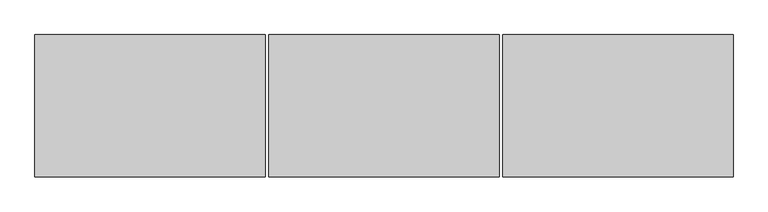
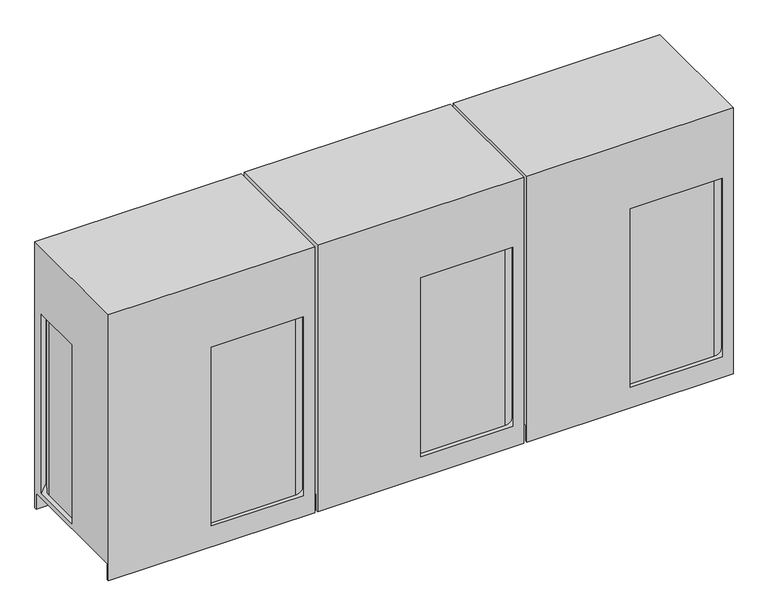
"""IFC4 building model written with IfcOpenShell, lengths in millimetres: proxy geometry."""

import ifcopenshell
import ifcopenshell.guid

model = None  # the IFC model being written
_history = None  # IfcOwnerHistory: only IFC2X3 demands one
_inside = {}  # id of a spatial element -> (the spatial element, [elements in it])
_under = {}  # id of a project, library or spatial element -> (it, [spatial elements below it])
_declared = {}  # id of a project -> (the project, [libraries it declares])
_typed = {}  # id of a type object -> (the type object, [elements of that type])
_made_of = {}  # id of a material, layer set ... -> (it, [elements and type objects made of it])


def new_model(schema):
    """Start an empty IFC model of exactly this schema.

    Asked for "IFC4X3", IfcOpenShell would pick the latest addendum, in which some entities
    have other attributes; the version numbers below select the first issue.
    IFC2X3 requires an IfcOwnerHistory on every rooted entity: one is made here for all.
    """
    global model, _history
    if schema == "IFC4X3":
        model = ifcopenshell.file(schema_version=(4, 3, 0, 0))
    else:
        model = ifcopenshell.file(schema=schema)
    _inside.clear()
    _under.clear()
    _declared.clear()
    _typed.clear()
    _made_of.clear()
    _history = None
    if model.schema == "IFC2X3":
        org = make("IfcOrganization", Name="unknown")
        user = make(
            "IfcPersonAndOrganization",
            ThePerson=make("IfcPerson", FamilyName="unknown"),
            TheOrganization=org,
        )
        app = make(
            "IfcApplication",
            ApplicationDeveloper=org,
            Version="unknown",
            ApplicationFullName="unknown",
            ApplicationIdentifier="unknown",
        )
        _history = make(
            "IfcOwnerHistory",
            OwningUser=user,
            OwningApplication=app,
            ChangeAction="ADDED",
            CreationDate=0,
        )
    return model


def make(cls, **values):
    """One entity of the class cls with the attributes given. An attribute that is None is left unset."""
    return model.create_entity(
        cls, **{name: value for name, value in values.items() if value is not None}
    )


def rooted(cls, **values):
    """An entity with a GlobalId (a new one), such as an element, a storey or a relation."""
    return make(cls, GlobalId=ifcopenshell.guid.new(), OwnerHistory=_history, **values)


def si_unit(unit_type, name, prefix=None):
    """IfcSIUnit, for example si_unit("LENGTHUNIT", "METRE", prefix="MILLI")."""
    return make("IfcSIUnit", UnitType=unit_type, Prefix=prefix, Name=name)


def assignment(units):
    """IfcUnitAssignment: the units of a project."""
    return None if units is None else make("IfcUnitAssignment", Units=units)


def point(xyz):
    """IfcCartesianPoint."""
    return None if xyz is None else make("IfcCartesianPoint", Coordinates=xyz)


def direction(xyz):
    """IfcDirection."""
    return None if xyz is None else make("IfcDirection", DirectionRatios=xyz)


def frame(location, z_axis=None, x_axis=None):
    """IfcAxis2Placement3D, a coordinate frame: its origin and axes. An axis left out is left unset."""
    return make(
        "IfcAxis2Placement3D",
        Location=point(location),
        Axis=direction(z_axis),
        RefDirection=direction(x_axis),
    )


def frame_2d(location, x_axis=None):
    """IfcAxis2Placement2D, a coordinate frame in the plane: its origin and x axis."""
    return make(
        "IfcAxis2Placement2D", Location=point(location), RefDirection=direction(x_axis)
    )


def origin():
    """The frame at (0, 0, 0) with its axes left unset."""
    return frame((0.0, 0.0, 0.0))


def place(relative_to, where):
    """IfcLocalPlacement: puts the frame where relative to a parent placement (None: the world)."""
    return make(
        "IfcLocalPlacement", PlacementRelTo=relative_to, RelativePlacement=where
    )


def context(
    kind, dimensions, precision=None, world=None, true_north=None, identifier=None
):
    """IfcGeometricRepresentationContext, for example the 3D "Model" context."""
    return make(
        "IfcGeometricRepresentationContext",
        ContextIdentifier=identifier,
        ContextType=kind,
        CoordinateSpaceDimension=dimensions,
        Precision=precision,
        WorldCoordinateSystem=world,
        TrueNorth=true_north,
    )


def project(units=None, contexts=None):
    """IfcProject with its units and contexts."""
    return rooted(
        "IfcProject",
        Name="project",
        RepresentationContexts=contexts,
        UnitsInContext=assignment(units),
    )


def spatial(cls, under=None, at=None, **own):
    """A site, building, storey or space (cls), placed at a placement, below another one or the project."""
    s = rooted(cls, ObjectPlacement=at, **own)
    if under is not None:
        _under.setdefault(under.id(), (under, []))[1].append(s)
    return s


def circle_curve(where, radius):
    """IfcCircle in the frame where."""
    return make("IfcCircle", Position=where, Radius=radius)


def trimmed(basis, trim1, trim2, sense, master):
    """IfcTrimmedCurve: the piece of a basis curve between two trims."""
    return make(
        "IfcTrimmedCurve",
        BasisCurve=basis,
        Trim1=trim1,
        Trim2=trim2,
        SenseAgreement=sense,
        MasterRepresentation=master,
    )


def segment(curve, same_sense, transition):
    """IfcCompositeCurveSegment."""
    return make(
        "IfcCompositeCurveSegment",
        Transition=transition,
        SameSense=same_sense,
        ParentCurve=curve,
    )


def composite_curve(segments, self_intersect=None):
    """IfcCompositeCurve: segments joined end to end."""
    return make("IfcCompositeCurve", Segments=segments, SelfIntersect=self_intersect)


def outline(outer, holes=None, kind="AREA"):
    """IfcArbitraryClosedProfileDef: a profile drawn as a closed curve; with holes, ...WithVoids."""
    if holes is None:
        return make("IfcArbitraryClosedProfileDef", ProfileType=kind, OuterCurve=outer)
    return make(
        "IfcArbitraryProfileDefWithVoids",
        ProfileType=kind,
        OuterCurve=outer,
        InnerCurves=holes,
    )


def extrude(swept, where, along, depth):
    """IfcExtrudedAreaSolid: the profile swept, set in the frame where, extruded along a direction by depth."""
    return make(
        "IfcExtrudedAreaSolid",
        SweptArea=swept,
        Position=where,
        ExtrudedDirection=direction(along),
        Depth=depth,
    )


def shape(context_of_items, identifier, shape_type, items):
    """IfcShapeRepresentation: the items that make up one representation, for example the "Body"."""
    return make(
        "IfcShapeRepresentation",
        ContextOfItems=context_of_items,
        RepresentationIdentifier=identifier,
        RepresentationType=shape_type,
        Items=items,
    )


def source(mapping_origin, context_of_items, identifier, shape_type, items):
    """IfcRepresentationMap: a shape defined once, which mapped items show again and again."""
    return make(
        "IfcRepresentationMap",
        MappingOrigin=mapping_origin,
        MappedRepresentation=shape(context_of_items, identifier, shape_type, items),
    )


def transform(
    local_origin,
    x_axis=None,
    y_axis=None,
    z_axis=None,
    scale=None,
    scale2=None,
    scale3=None,
    uniform=True,
):
    """IfcCartesianTransformationOperator3D, or its non-uniform kind. x_axis, y_axis, z_axis: its Axis1, 2, 3."""
    if uniform:
        return make(
            "IfcCartesianTransformationOperator3D",
            Axis1=direction(x_axis),
            Axis2=direction(y_axis),
            LocalOrigin=point(local_origin),
            Scale=scale,
            Axis3=direction(z_axis),
        )
    return make(
        "IfcCartesianTransformationOperator3DnonUniform",
        Axis1=direction(x_axis),
        Axis2=direction(y_axis),
        LocalOrigin=point(local_origin),
        Scale=scale,
        Axis3=direction(z_axis),
        Scale2=scale2,
        Scale3=scale3,
    )


def mapped(mapping_source, mapping_target):
    """IfcMappedItem: shows the shape of a source again, moved by a transform."""
    return make(
        "IfcMappedItem", MappingSource=mapping_source, MappingTarget=mapping_target
    )


def made_of(thing, what):
    """Note that an element or type object is made of a material, layer set ...; save() writes the relation."""
    if what is not None:
        _made_of.setdefault(what.id(), (what, []))[1].append(thing)
    return thing


def element(
    cls,
    number,
    at=None,
    inside=None,
    cuts=None,
    type_object=None,
    material=None,
    context=None,
    identifier="Body",
    shape_type=None,
    held_by="IfcProductDefinitionShape",
    body=None,
    shapes=None,
    **own,
):
    """One element of the class cls, such as IfcWall. Its Tag is "e" and its number.

    at: its placement. inside: the storey or other place that contains it. cuts: it is an
    opening in that element (IfcRelVoidsElement). A single representation is given by context,
    identifier, shape_type and body (its items); several are given by shapes. held_by: the class
    of the entity that holds the representations. save() writes the other relations.
    """
    e = rooted(cls, Tag="e%d" % number, ObjectPlacement=at, **own)
    if body is not None:
        shapes = [shape(context, identifier, shape_type, body)]
    if shapes is not None:
        e.Representation = make(held_by, Representations=shapes)
    if inside is not None:
        _inside.setdefault(inside.id(), (inside, []))[1].append(e)
    if cuts is not None:
        rooted(
            "IfcRelVoidsElement", RelatingBuildingElement=cuts, RelatedOpeningElement=e
        )
    if type_object is not None:
        _typed.setdefault(type_object.id(), (type_object, []))[1].append(e)
    return made_of(e, material)


def aggregate(whole, parts):
    """IfcRelAggregates: a whole, such as a stair, and the parts it consists of."""
    return rooted("IfcRelAggregates", RelatingObject=whole, RelatedObjects=parts)


def save(model, path):
    """Write the relations noted so far, then the file.

    IfcRelAggregates (storeys below a building ...), IfcRelContainedInSpatialStructure (elements
    in a storey), IfcRelDefinesByType, IfcRelAssociatesMaterial and IfcRelDeclares: one each for
    every whole, place, type object, material and project.
    """
    for whole, parts in _under.values():
        aggregate(whole, parts)
    for where, things in _inside.values():
        rooted(
            "IfcRelContainedInSpatialStructure",
            RelatedElements=things,
            RelatingStructure=where,
        )
    for kind, things in _typed.values():
        rooted("IfcRelDefinesByType", RelatedObjects=things, RelatingType=kind)
    for what, things in _made_of.values():
        rooted("IfcRelAssociatesMaterial", RelatedObjects=things, RelatingMaterial=what)
    for by, libraries in _declared.values():
        rooted("IfcRelDeclares", RelatingContext=by, RelatedDefinitions=libraries)
    model.write(path)


def plane_surface(at):
    """IfcPlane: the flat surface through the origin of the frame at, square to its z axis."""
    return make("IfcPlane", Position=at)


def cylinder_surface(at, radius):
    """IfcCylindricalSurface: all points at the distance radius from the z axis of the frame at."""
    return make("IfcCylindricalSurface", Position=at, Radius=radius)


def advanced_brep(points, edges, surfaces, faces):
    """IfcAdvancedBrep: a solid bounded by faces that lie on surfaces and meet in shared edges.

    An edge is (start, end): straight between two places in points (the first is 0);
    or (start, end, curve); or (start, end, curve, False) where it runs against its curve.
    A face is (place in surfaces, loops), or (place, loops, False) where it looks against
    its surface's normal. A loop lists edges by number (the first is 1), with a minus sign
    where the edge is run from its end to its start. The first loop is the outer one.
    """
    corners = [point(p) for p in points]
    vertices = [make("IfcVertexPoint", VertexGeometry=c) for c in corners]
    made = []
    for start, end, *more in edges:
        made.append(
            make(
                "IfcEdgeCurve",
                EdgeStart=vertices[start],
                EdgeEnd=vertices[end],
                EdgeGeometry=more[0] if more else make("IfcPolyline", Points=[corners[start], corners[end]]),
                SameSense=more[1] if len(more) > 1 else True,
            )
        )
    hull = []
    for where, loops, *sense in faces:
        bounds = []
        for j, loop in enumerate(loops):
            ring = [make("IfcOrientedEdge", EdgeElement=made[abs(k) - 1], Orientation=k > 0) for k in loop]
            bounds.append(
                make(
                    "IfcFaceOuterBound" if j == 0 else "IfcFaceBound",
                    Bound=make("IfcEdgeLoop", EdgeList=ring),
                    Orientation=True,
                )
            )
        hull.append(make("IfcAdvancedFace", Bounds=bounds, FaceSurface=surfaces[where], SameSense=sense[0] if sense else True))
    return make("IfcAdvancedBrep", Outer=make("IfcClosedShell", CfsFaces=hull))


def mechanical_equipment_0305d226(model_context):
    return source(origin(), model_context, "Body", "SolidModel", [
        extrude(outline(composite_curve([segment(trimmed(circle_curve(frame_2d((885.825, -277.01875)), 17.4625), [point((903.2875, -277.01875))], [point((868.3625, -277.01875))], False, "CARTESIAN"), True, "CONTINUOUS"), segment(trimmed(circle_curve(frame_2d((885.825, -277.01875)), 17.4625), [point((868.3625, -277.01875))], [point((903.2875, -277.01875))], False, "CARTESIAN"), True, "CONTINUOUS")], self_intersect=False)), frame((0.0, 0.0, 203.2), z_axis=(0.0, 0.0, 1.0), x_axis=(1.0, 0.0, 0.0)), (0.0, 0.0, 1.0), 6.35),
        extrude(outline(composite_curve([segment(trimmed(circle_curve(frame_2d((800.1, -281.78125)), 20.6375), [point((779.4625, -281.78125))], [point((820.7375, -281.78125))], False, "CARTESIAN"), True, "CONTINUOUS"), segment(trimmed(circle_curve(frame_2d((800.1, -281.78125)), 20.6375), [point((820.7375, -281.78125))], [point((779.4625, -281.78125))], False, "CARTESIAN"), True, "CONTINUOUS")], self_intersect=False)), frame((0.0, 0.0, 198.4375), z_axis=(0.0, 0.0, 1.0), x_axis=(1.0, 0.0, 0.0)), (0.0, 0.0, 1.0), 6.35),
        extrude(outline(composite_curve([segment(trimmed(circle_curve(frame_2d((741.3625, -311.94375)), 9.525), [point((731.8375, -311.94375))], [point((750.8875, -311.94375))], False, "CARTESIAN"), True, "CONTINUOUS"), segment(trimmed(circle_curve(frame_2d((741.3625, -311.94375)), 9.525), [point((750.8875, -311.94375))], [point((731.8375, -311.94375))], False, "CARTESIAN"), True, "CONTINUOUS")], self_intersect=False)), frame((0.0, 0.0, 307.975), z_axis=(0.0, 0.0, 1.0), x_axis=(1.0, 0.0, 0.0)), (0.0, 0.0, 1.0), 6.35),
        advanced_brep(
        [(1881.1875, -383.38125, 0.0), (639.7625, -383.38125, 0.0), (639.7625, -370.68125, 0.0), (1881.1875, -370.68125, 0.0), (639.7625, 383.38125, 0.0), (1881.1875, 383.38125, 0.0), (1881.1875, 370.68125, 0.0), (639.7625, 370.68125, 0.0), (1881.1875, 383.38125, 1693.8625), (639.7625, 383.38125, 1693.8625), (639.7625, -383.38125, 1693.8625), (1881.1875, -383.38125, 1693.8625), (1881.1875, -370.68125, 101.6), (1881.1875, 370.68125, 101.6), (1881.1875, 316.70625, 131.7752), (1881.1875, -316.70625, 131.7752), (1881.1875, -316.70625, 1270.396875), (1881.1875, 316.70625, 1270.396875), (1814.5125, -383.38125, 131.7752), (1260.4623, -383.38125, 131.7752), (1260.4623, -383.38125, 1270.396875), (1814.5125, -383.38125, 1270.396875), (639.7625, 370.68125, 101.6), (639.7625, -370.68125, 101.6), (639.7625, 0.0, 131.7752), (639.7625, 316.70625, 131.7752), (639.7625, 316.70625, 1270.396875), (639.7625, 0.0, 1270.396875), (706.4375, 383.38125, 131.7752), (1814.5125, 383.38125, 131.7752), (1814.5125, 383.38125, 1270.396875), (706.4375, 383.38125, 1270.396875), (665.1625, 0.0, 131.7752), (665.1625, 281.78125, 131.7752), (741.3625, 357.98125, 131.7752), (1779.5875, 357.98125, 131.7752), (1855.7875, 281.78125, 131.7752), (1855.7875, -281.78125, 131.7752), (1779.5875, -357.98125, 131.7752), (1260.4623, -357.98125, 131.7752), (1260.4623, -357.98125, 1270.396875), (1779.5875, -357.98125, 1270.396875), (1855.7875, -281.78125, 1270.396875), (1855.7875, 281.78125, 1270.396875), (1779.5875, 357.98125, 1270.396875), (741.3625, 357.98125, 1270.396875), (665.1625, 281.78125, 1270.396875), (665.1625, 0.0, 1270.396875)],
        [
            (0, 1),
            (1, 2),
            (2, 3),
            (3, 0),
            (4, 5),
            (5, 6),
            (6, 7),
            (7, 4),
            (8, 9),
            (9, 10),
            (10, 11),
            (11, 8),
            (11, 0),
            (3, 12),
            (12, 13),
            (13, 6),
            (5, 8),
            (14, 15),
            (15, 16),
            (16, 17),
            (17, 14),
            (10, 1),
            (18, 19),
            (19, 20),
            (20, 21),
            (21, 18),
            (9, 4),
            (7, 22),
            (22, 23),
            (23, 2),
            (24, 25),
            (25, 26),
            (26, 27),
            (27, 24),
            (28, 29),
            (29, 30),
            (30, 31),
            (31, 28),
            (22, 13),
            (12, 23),
            (28, 25),
            (24, 32),
            (32, 33),
            (33, 34, circle_curve(frame((741.3625, 281.78125, 131.7752), z_axis=(0.0, 0.0, -1.0), x_axis=(1.0, 0.0, 0.0)), 76.2)),
            (34, 35),
            (35, 36, circle_curve(frame((1779.5875, 281.78125, 131.7752), z_axis=(0.0, 0.0, -1.0), x_axis=(1.0, 0.0, 0.0)), 76.2)),
            (36, 37),
            (37, 38, circle_curve(frame((1779.5875, -281.78125, 131.7752), z_axis=(0.0, 0.0, -1.0), x_axis=(1.0, 0.0, 0.0)), 76.2)),
            (38, 39),
            (39, 19),
            (18, 15),
            (14, 29),
            (30, 17),
            (16, 21),
            (20, 40),
            (40, 41),
            (41, 42, circle_curve(frame((1779.5875, -281.78125, 1270.396875), z_axis=(0.0, 0.0, 1.0), x_axis=(1.0, 0.0, 0.0)), 76.2)),
            (42, 43),
            (43, 44, circle_curve(frame((1779.5875, 281.78125, 1270.396875), z_axis=(0.0, 0.0, 1.0), x_axis=(1.0, 0.0, 0.0)), 76.2)),
            (44, 45),
            (45, 46, circle_curve(frame((741.3625, 281.78125, 1270.396875), z_axis=(0.0, 0.0, 1.0), x_axis=(1.0, 0.0, 0.0)), 76.2)),
            (46, 47),
            (47, 27),
            (26, 31),
            (39, 40),
            (38, 41),
            (37, 42),
            (36, 43),
            (35, 44),
            (34, 45),
            (33, 46),
            (32, 47),
        ],
        [
            plane_surface(frame((1260.475, 21.6296875, 0.0), z_axis=(0.0, 0.0, -1.0), x_axis=(0.0, 1.0, 0.0))),
            plane_surface(frame((1260.475, 21.6296875, 1693.8625), z_axis=(0.0, 0.0, 1.0), x_axis=(0.0, 1.0, 0.0))),
            plane_surface(frame((1881.1875, 383.38125, 0.0), z_axis=(1.0, 0.0, 0.0), x_axis=(0.0, 0.0, 1.0))),
            plane_surface(frame((1881.1875, -383.38125, 0.0), z_axis=(0.0, -1.0, 0.0), x_axis=(0.0, 0.0, 1.0))),
            plane_surface(frame((639.7625, -383.38125, 0.0), z_axis=(-1.0, 0.0, 0.0), x_axis=(0.0, 0.0, 1.0))),
            plane_surface(frame((639.7625, 383.38125, 0.0), z_axis=(0.0, 1.0, 0.0), x_axis=(0.0, 0.0, 1.0))),
            plane_surface(frame((639.7625, -370.68125, 101.6), z_axis=(0.0, 0.0, -1.0), x_axis=(1.0, 0.0, 0.0))),
            plane_surface(frame((639.7625, 370.68125, 101.6), z_axis=(0.0, -1.0, 0.0), x_axis=(1.0, 0.0, 0.0))),
            plane_surface(frame((639.7625, -370.68125, 0.0), z_axis=(0.0, 1.0, 0.0), x_axis=(1.0, 0.0, 0.0))),
            plane_surface(frame((1260.475, 1.8658473, 131.7752), z_axis=(0.0, 0.0, 1.0), x_axis=(0.0, 1.0, 0.0))),
            plane_surface(frame((1260.475, 1.8658473, 1270.396875), z_axis=(0.0, 0.0, -1.0), x_axis=(0.0, 1.0, 0.0))),
            plane_surface(frame((1260.4623, -383.38125, 131.7752), z_axis=(1.0, 0.0, 0.0), x_axis=(0.0, 0.0, 1.0))),
            plane_surface(frame((1260.4623, -357.98125, 131.7752), z_axis=(0.0, -1.0, 0.0), x_axis=(0.0, 0.0, 1.0))),
            cylinder_surface(frame((1779.5875, -281.78125, 131.7752), z_axis=(0.0, 0.0, 1.0), x_axis=(1.0, 0.0, 0.0)), 76.2),
            plane_surface(frame((1855.7875, -281.78125, 131.7752), z_axis=(1.0, 0.0, 0.0), x_axis=(0.0, 0.0, 1.0))),
            cylinder_surface(frame((1779.5875, 281.78125, 131.7752), z_axis=(0.0, 0.0, 1.0), x_axis=(1.0, 0.0, 0.0)), 76.2),
            plane_surface(frame((1779.5875, 357.98125, 131.7752), z_axis=(0.0, 1.0, 0.0), x_axis=(0.0, 0.0, 1.0))),
            cylinder_surface(frame((741.3625, 281.78125, 131.7752), z_axis=(0.0, 0.0, 1.0), x_axis=(1.0, 0.0, 0.0)), 76.2),
            plane_surface(frame((665.1625, 281.78125, 131.7752), z_axis=(-1.0, 0.0, 0.0), x_axis=(0.0, 0.0, 1.0))),
            plane_surface(frame((665.1625, 0.0, 131.7752), z_axis=(0.0, 1.0, 0.0), x_axis=(0.0, 0.0, 1.0))),
            plane_surface(frame((1814.5125, 383.38125, 131.7752), z_axis=(-0.7071067811865517, -0.7071067811865435, 0.0), x_axis=(0.0, 0.0, 1.0))),
            plane_surface(frame((1881.1875, -316.70625, 131.7752), z_axis=(-0.7071067811865445, 0.7071067811865506, 0.0), x_axis=(0.0, 0.0, 1.0))),
            plane_surface(frame((639.7625, 316.70625, 131.7752), z_axis=(0.7071067811865445, -0.7071067811865506, 0.0), x_axis=(0.0, 0.0, 1.0))),
        ],
        [
            (0, [[1, 2, 3, 4]]),
            (0, [[5, 6, 7, 8]]),
            (1, [[9, 10, 11, 12]]),
            (2, [[-12, 13, -4, 14, 15, 16, -6, 17], [18, 19, 20, 21]]),
            (3, [[-1, -13, -11, 22], [23, 24, 25, 26]]),
            (4, [[-10, 27, -8, 28, 29, 30, -2, -22], [31, 32, 33, 34]]),
            (5, [[-5, -27, -9, -17], [35, 36, 37, 38]]),
            (6, [[39, -15, 40, -29]]),
            (7, [[-39, -28, -7, -16]]),
            (8, [[-40, -14, -3, -30]]),
            (9, [[41, -31, 42, 43, 44, 45, 46, 47, 48, 49, 50, -23, 51, -18, 52, -35]]),
            (10, [[53, -20, 54, -25, 55, 56, 57, 58, 59, 60, 61, 62, 63, -33, 64, -37]]),
            (11, [[-50, 65, -55, -24]]),
            (12, [[-49, 66, -56, -65]]),
            (13, [[-48, 67, -57, -66]]),
            (14, [[-47, 68, -58, -67]]),
            (15, [[-46, 69, -59, -68]]),
            (16, [[-45, 70, -60, -69]]),
            (17, [[-44, 71, -61, -70]]),
            (18, [[-43, 72, -62, -71]]),
            (19, [[-42, -34, -63, -72]]),
            (20, [[-52, -21, -53, -36]]),
            (21, [[-51, -26, -54, -19]]),
            (22, [[-41, -38, -64, -32]]),
        ],
    ),
        extrude(outline(composite_curve([segment(trimmed(circle_curve(frame_2d((-374.65, -277.01875)), 17.4625), [point((-357.1875, -277.01875))], [point((-392.1125, -277.01875))], False, "CARTESIAN"), True, "CONTINUOUS"), segment(trimmed(circle_curve(frame_2d((-374.65, -277.01875)), 17.4625), [point((-392.1125, -277.01875))], [point((-357.1875, -277.01875))], False, "CARTESIAN"), True, "CONTINUOUS")], self_intersect=False)), frame((0.0, 0.0, 203.2), z_axis=(0.0, 0.0, 1.0), x_axis=(1.0, 0.0, 0.0)), (0.0, 0.0, 1.0), 6.35),
        extrude(outline(composite_curve([segment(trimmed(circle_curve(frame_2d((-460.375, -281.78125)), 20.6375), [point((-481.0125, -281.78125))], [point((-439.7375, -281.78125))], False, "CARTESIAN"), True, "CONTINUOUS"), segment(trimmed(circle_curve(frame_2d((-460.375, -281.78125)), 20.6375), [point((-439.7375, -281.78125))], [point((-481.0125, -281.78125))], False, "CARTESIAN"), True, "CONTINUOUS")], self_intersect=False)), frame((0.0, 0.0, 198.4375), z_axis=(0.0, 0.0, 1.0), x_axis=(1.0, 0.0, 0.0)), (0.0, 0.0, 1.0), 6.35),
        extrude(outline(composite_curve([segment(trimmed(circle_curve(frame_2d((-519.1125, -311.94375)), 9.525), [point((-528.6375, -311.94375))], [point((-509.5875, -311.94375))], False, "CARTESIAN"), True, "CONTINUOUS"), segment(trimmed(circle_curve(frame_2d((-519.1125, -311.94375)), 9.525), [point((-509.5875, -311.94375))], [point((-528.6375, -311.94375))], False, "CARTESIAN"), True, "CONTINUOUS")], self_intersect=False)), frame((0.0, 0.0, 307.975), z_axis=(0.0, 0.0, 1.0), x_axis=(1.0, 0.0, 0.0)), (0.0, 0.0, 1.0), 6.35),
        advanced_brep(
        [(620.7125, -383.38125, 0.0), (-620.7125, -383.38125, 0.0), (-620.7125, -370.68125, 0.0), (620.7125, -370.68125, 0.0), (-620.7125, 383.38125, 0.0), (620.7125, 383.38125, 0.0), (620.7125, 370.68125, 0.0), (-620.7125, 370.68125, 0.0), (620.7125, 383.38125, 1693.8625), (-620.7125, 383.38125, 1693.8625), (-620.7125, -383.38125, 1693.8625), (620.7125, -383.38125, 1693.8625), (620.7125, -370.68125, 101.6), (620.7125, 370.68125, 101.6), (620.7125, 316.70625, 131.7752), (620.7125, -316.70625, 131.7752), (620.7125, -316.70625, 1270.396875), (620.7125, 316.70625, 1270.396875), (554.0375, -383.38125, 131.7752), (-0.0127, -383.38125, 131.7752), (-0.0127, -383.38125, 1270.396875), (554.0375, -383.38125, 1270.396875), (-620.7125, 370.68125, 101.6), (-620.7125, -370.68125, 101.6), (-620.7125, 0.0, 131.7752), (-620.7125, 316.70625, 131.7752), (-620.7125, 316.70625, 1270.396875), (-620.7125, 0.0, 1270.396875), (-554.0375, 383.38125, 131.7752), (554.0375, 383.38125, 131.7752), (554.0375, 383.38125, 1270.396875), (-554.0375, 383.38125, 1270.396875), (-595.3125, 0.0, 131.7752), (-595.3125, 281.78125, 131.7752), (-519.1125, 357.98125, 131.7752), (519.1125, 357.98125, 131.7752), (595.3125, 281.78125, 131.7752), (595.3125, -281.78125, 131.7752), (519.1125, -357.98125, 131.7752), (-0.0127, -357.98125, 131.7752), (-0.0127, -357.98125, 1270.396875), (519.1125, -357.98125, 1270.396875), (595.3125, -281.78125, 1270.396875), (595.3125, 281.78125, 1270.396875), (519.1125, 357.98125, 1270.396875), (-519.1125, 357.98125, 1270.396875), (-595.3125, 281.78125, 1270.396875), (-595.3125, 0.0, 1270.396875)],
        [
            (0, 1),
            (1, 2),
            (2, 3),
            (3, 0),
            (4, 5),
            (5, 6),
            (6, 7),
            (7, 4),
            (8, 9),
            (9, 10),
            (10, 11),
            (11, 8),
            (11, 0),
            (3, 12),
            (12, 13),
            (13, 6),
            (5, 8),
            (14, 15),
            (15, 16),
            (16, 17),
            (17, 14),
            (10, 1),
            (18, 19),
            (19, 20),
            (20, 21),
            (21, 18),
            (9, 4),
            (7, 22),
            (22, 23),
            (23, 2),
            (24, 25),
            (25, 26),
            (26, 27),
            (27, 24),
            (28, 29),
            (29, 30),
            (30, 31),
            (31, 28),
            (22, 13),
            (12, 23),
            (28, 25),
            (24, 32),
            (32, 33),
            (33, 34, circle_curve(frame((-519.1125, 281.78125, 131.7752), z_axis=(0.0, 0.0, -1.0), x_axis=(1.0, 0.0, 0.0)), 76.2)),
            (34, 35),
            (35, 36, circle_curve(frame((519.1125, 281.78125, 131.7752), z_axis=(0.0, 0.0, -1.0), x_axis=(1.0, 0.0, 0.0)), 76.2)),
            (36, 37),
            (37, 38, circle_curve(frame((519.1125, -281.78125, 131.7752), z_axis=(0.0, 0.0, -1.0), x_axis=(1.0, 0.0, 0.0)), 76.2)),
            (38, 39),
            (39, 19),
            (18, 15),
            (14, 29),
            (30, 17),
            (16, 21),
            (20, 40),
            (40, 41),
            (41, 42, circle_curve(frame((519.1125, -281.78125, 1270.396875), z_axis=(0.0, 0.0, 1.0), x_axis=(1.0, 0.0, 0.0)), 76.2)),
            (42, 43),
            (43, 44, circle_curve(frame((519.1125, 281.78125, 1270.396875), z_axis=(0.0, 0.0, 1.0), x_axis=(1.0, 0.0, 0.0)), 76.2)),
            (44, 45),
            (45, 46, circle_curve(frame((-519.1125, 281.78125, 1270.396875), z_axis=(0.0, 0.0, 1.0), x_axis=(1.0, 0.0, 0.0)), 76.2)),
            (46, 47),
            (47, 27),
            (26, 31),
            (39, 40),
            (38, 41),
            (37, 42),
            (36, 43),
            (35, 44),
            (34, 45),
            (33, 46),
            (32, 47),
        ],
        [
            plane_surface(frame((0.0, 21.6296875, 0.0), z_axis=(0.0, 0.0, -1.0), x_axis=(0.0, 1.0, 0.0))),
            plane_surface(frame((0.0, 21.6296875, 1693.8625), z_axis=(0.0, 0.0, 1.0), x_axis=(0.0, 1.0, 0.0))),
            plane_surface(frame((620.7125, 383.38125, 0.0), z_axis=(1.0, 0.0, 0.0), x_axis=(0.0, 0.0, 1.0))),
            plane_surface(frame((620.7125, -383.38125, 0.0), z_axis=(0.0, -1.0, 0.0), x_axis=(0.0, 0.0, 1.0))),
            plane_surface(frame((-620.7125, -383.38125, 0.0), z_axis=(-1.0, 0.0, 0.0), x_axis=(0.0, 0.0, 1.0))),
            plane_surface(frame((-620.7125, 383.38125, 0.0), z_axis=(0.0, 1.0, 0.0), x_axis=(0.0, 0.0, 1.0))),
            plane_surface(frame((-620.7125, -370.68125, 101.6), z_axis=(0.0, 0.0, -1.0), x_axis=(1.0, 0.0, 0.0))),
            plane_surface(frame((-620.7125, 370.68125, 101.6), z_axis=(0.0, -1.0, 0.0), x_axis=(1.0, 0.0, 0.0))),
            plane_surface(frame((-620.7125, -370.68125, 0.0), z_axis=(0.0, 1.0, 0.0), x_axis=(1.0, 0.0, 0.0))),
            plane_surface(frame((0.0, 1.8658473, 131.7752), z_axis=(0.0, 0.0, 1.0), x_axis=(0.0, 1.0, 0.0))),
            plane_surface(frame((0.0, 1.8658473, 1270.396875), z_axis=(0.0, 0.0, -1.0), x_axis=(0.0, 1.0, 0.0))),
            plane_surface(frame((-0.0127, -383.38125, 131.7752), z_axis=(1.0, 0.0, 0.0), x_axis=(0.0, 0.0, 1.0))),
            plane_surface(frame((-0.0127, -357.98125, 131.7752), z_axis=(0.0, -1.0, 0.0), x_axis=(0.0, 0.0, 1.0))),
            cylinder_surface(frame((519.1125, -281.78125, 131.7752), z_axis=(0.0, 0.0, 1.0), x_axis=(1.0, 0.0, 0.0)), 76.2),
            plane_surface(frame((595.3125, -281.78125, 131.7752), z_axis=(1.0, 0.0, 0.0), x_axis=(0.0, 0.0, 1.0))),
            cylinder_surface(frame((519.1125, 281.78125, 131.7752), z_axis=(0.0, 0.0, 1.0), x_axis=(1.0, 0.0, 0.0)), 76.2),
            plane_surface(frame((519.1125, 357.98125, 131.7752), z_axis=(0.0, 1.0, 0.0), x_axis=(0.0, 0.0, 1.0))),
            cylinder_surface(frame((-519.1125, 281.78125, 131.7752), z_axis=(0.0, 0.0, 1.0), x_axis=(1.0, 0.0, 0.0)), 76.2),
            plane_surface(frame((-595.3125, 281.78125, 131.7752), z_axis=(-1.0, 0.0, 0.0), x_axis=(0.0, 0.0, 1.0))),
            plane_surface(frame((-595.3125, 0.0, 131.7752), z_axis=(0.0, 1.0, 0.0), x_axis=(0.0, 0.0, 1.0))),
            plane_surface(frame((554.0375, 383.38125, 131.7752), z_axis=(-0.7071067811865517, -0.7071067811865435, 0.0), x_axis=(0.0, 0.0, 1.0))),
            plane_surface(frame((620.7125, -316.70625, 131.7752), z_axis=(-0.7071067811865445, 0.7071067811865506, 0.0), x_axis=(0.0, 0.0, 1.0))),
            plane_surface(frame((-620.7125, 316.70625, 131.7752), z_axis=(0.7071067811865445, -0.7071067811865506, 0.0), x_axis=(0.0, 0.0, 1.0))),
        ],
        [
            (0, [[1, 2, 3, 4]]),
            (0, [[5, 6, 7, 8]]),
            (1, [[9, 10, 11, 12]]),
            (2, [[-12, 13, -4, 14, 15, 16, -6, 17], [18, 19, 20, 21]]),
            (3, [[-1, -13, -11, 22], [23, 24, 25, 26]]),
            (4, [[-10, 27, -8, 28, 29, 30, -2, -22], [31, 32, 33, 34]]),
            (5, [[-5, -27, -9, -17], [35, 36, 37, 38]]),
            (6, [[39, -15, 40, -29]]),
            (7, [[-39, -28, -7, -16]]),
            (8, [[-40, -14, -3, -30]]),
            (9, [[41, -31, 42, 43, 44, 45, 46, 47, 48, 49, 50, -23, 51, -18, 52, -35]]),
            (10, [[53, -20, 54, -25, 55, 56, 57, 58, 59, 60, 61, 62, 63, -33, 64, -37]]),
            (11, [[-50, 65, -55, -24]]),
            (12, [[-49, 66, -56, -65]]),
            (13, [[-48, 67, -57, -66]]),
            (14, [[-47, 68, -58, -67]]),
            (15, [[-46, 69, -59, -68]]),
            (16, [[-45, 70, -60, -69]]),
            (17, [[-44, 71, -61, -70]]),
            (18, [[-43, 72, -62, -71]]),
            (19, [[-42, -34, -63, -72]]),
            (20, [[-52, -21, -53, -36]]),
            (21, [[-51, -26, -54, -19]]),
            (22, [[-41, -38, -64, -32]]),
        ],
    ),
        extrude(outline(composite_curve([segment(trimmed(circle_curve(frame_2d((-1635.125, -277.01875)), 17.4625), [point((-1617.6625, -277.01875))], [point((-1652.5875, -277.01875))], False, "CARTESIAN"), True, "CONTINUOUS"), segment(trimmed(circle_curve(frame_2d((-1635.125, -277.01875)), 17.4625), [point((-1652.5875, -277.01875))], [point((-1617.6625, -277.01875))], False, "CARTESIAN"), True, "CONTINUOUS")], self_intersect=False)), frame((0.0, 0.0, 203.2), z_axis=(0.0, 0.0, 1.0), x_axis=(1.0, 0.0, 0.0)), (0.0, 0.0, 1.0), 6.35),
        extrude(outline(composite_curve([segment(trimmed(circle_curve(frame_2d((-1720.85, -277.01875)), 20.6375), [point((-1741.4875, -277.01875))], [point((-1700.2125, -277.01875))], False, "CARTESIAN"), True, "CONTINUOUS"), segment(trimmed(circle_curve(frame_2d((-1720.85, -277.01875)), 20.6375), [point((-1700.2125, -277.01875))], [point((-1741.4875, -277.01875))], False, "CARTESIAN"), True, "CONTINUOUS")], self_intersect=False)), frame((0.0, 0.0, 190.5), z_axis=(0.0, 0.0, 1.0), x_axis=(1.0, 0.0, 0.0)), (0.0, 0.0, 1.0), 6.35),
        extrude(outline(composite_curve([segment(trimmed(circle_curve(frame_2d((-1779.5875, -311.94375)), 9.525), [point((-1789.1125, -311.94375))], [point((-1770.0625, -311.94375))], False, "CARTESIAN"), True, "CONTINUOUS"), segment(trimmed(circle_curve(frame_2d((-1779.5875, -311.94375)), 9.525), [point((-1770.0625, -311.94375))], [point((-1789.1125, -311.94375))], False, "CARTESIAN"), True, "CONTINUOUS")], self_intersect=False)), frame((0.0, 0.0, 307.975), z_axis=(0.0, 0.0, 1.0), x_axis=(1.0, 0.0, 0.0)), (0.0, 0.0, 1.0), 6.35),
        advanced_brep(
        [(-639.7625, -383.38125, 0.0), (-1881.1875, -383.38125, 0.0), (-1881.1875, -370.68125, 0.0), (-639.7625, -370.68125, 0.0), (-1881.1875, 383.38125, 0.0), (-639.7625, 383.38125, 0.0), (-639.7625, 370.68125, 0.0), (-1881.1875, 370.68125, 0.0), (-639.7625, 383.38125, 1693.8625), (-1881.1875, 383.38125, 1693.8625), (-1881.1875, -383.38125, 1693.8625), (-639.7625, -383.38125, 1693.8625), (-639.7625, -370.68125, 101.6), (-639.7625, 370.68125, 101.6), (-639.7625, 316.70625, 131.7752), (-639.7625, -316.70625, 131.7752), (-639.7625, -316.70625, 1270.396875), (-639.7625, 316.70625, 1270.396875), (-706.4375, -383.38125, 131.7752), (-1260.4877, -383.38125, 131.7752), (-1260.4877, -383.38125, 1270.396875), (-706.4375, -383.38125, 1270.396875), (-1881.1875, 370.68125, 101.6), (-1881.1875, -370.68125, 101.6), (-1881.1875, 0.0, 131.7752), (-1881.1875, 316.70625, 131.7752), (-1881.1875, 316.70625, 1270.396875), (-1881.1875, 0.0, 1270.396875), (-1814.5125, 383.38125, 131.7752), (-706.4375, 383.38125, 131.7752), (-706.4375, 383.38125, 1270.396875), (-1814.5125, 383.38125, 1270.396875), (-1855.7875, 0.0, 131.7752), (-1855.7875, 281.78125, 131.7752), (-1779.5875, 357.98125, 131.7752), (-741.3625, 357.98125, 131.7752), (-665.1625, 281.78125, 131.7752), (-665.1625, -281.78125, 131.7752), (-741.3625, -357.98125, 131.7752), (-1260.4877, -357.98125, 131.7752), (-1260.4877, -357.98125, 1270.396875), (-741.3625, -357.98125, 1270.396875), (-665.1625, -281.78125, 1270.396875), (-665.1625, 281.78125, 1270.396875), (-741.3625, 357.98125, 1270.396875), (-1779.5875, 357.98125, 1270.396875), (-1855.7875, 281.78125, 1270.396875), (-1855.7875, 0.0, 1270.396875)],
        [
            (0, 1),
            (1, 2),
            (2, 3),
            (3, 0),
            (4, 5),
            (5, 6),
            (6, 7),
            (7, 4),
            (8, 9),
            (9, 10),
            (10, 11),
            (11, 8),
            (11, 0),
            (3, 12),
            (12, 13),
            (13, 6),
            (5, 8),
            (14, 15),
            (15, 16),
            (16, 17),
            (17, 14),
            (10, 1),
            (18, 19),
            (19, 20),
            (20, 21),
            (21, 18),
            (9, 4),
            (7, 22),
            (22, 23),
            (23, 2),
            (24, 25),
            (25, 26),
            (26, 27),
            (27, 24),
            (28, 29),
            (29, 30),
            (30, 31),
            (31, 28),
            (22, 13),
            (12, 23),
            (28, 25),
            (24, 32),
            (32, 33),
            (33, 34, circle_curve(frame((-1779.5875, 281.78125, 131.7752), z_axis=(0.0, 0.0, -1.0), x_axis=(1.0, 0.0, 0.0)), 76.2)),
            (34, 35),
            (35, 36, circle_curve(frame((-741.3625, 281.78125, 131.7752), z_axis=(0.0, 0.0, -1.0), x_axis=(1.0, 0.0, 0.0)), 76.2)),
            (36, 37),
            (37, 38, circle_curve(frame((-741.3625, -281.78125, 131.7752), z_axis=(0.0, 0.0, -1.0), x_axis=(1.0, 0.0, 0.0)), 76.2)),
            (38, 39),
            (39, 19),
            (18, 15),
            (14, 29),
            (30, 17),
            (16, 21),
            (20, 40),
            (40, 41),
            (41, 42, circle_curve(frame((-741.3625, -281.78125, 1270.396875), z_axis=(0.0, 0.0, 1.0), x_axis=(1.0, 0.0, 0.0)), 76.2)),
            (42, 43),
            (43, 44, circle_curve(frame((-741.3625, 281.78125, 1270.396875), z_axis=(0.0, 0.0, 1.0), x_axis=(1.0, 0.0, 0.0)), 76.2)),
            (44, 45),
            (45, 46, circle_curve(frame((-1779.5875, 281.78125, 1270.396875), z_axis=(0.0, 0.0, 1.0), x_axis=(1.0, 0.0, 0.0)), 76.2)),
            (46, 47),
            (47, 27),
            (26, 31),
            (39, 40),
            (38, 41),
            (37, 42),
            (36, 43),
            (35, 44),
            (34, 45),
            (33, 46),
            (32, 47),
        ],
        [
            plane_surface(frame((-1260.475, 21.6296875, 0.0), z_axis=(0.0, 0.0, -1.0), x_axis=(0.0, 1.0, 0.0))),
            plane_surface(frame((-1260.475, 21.6296875, 1693.8625), z_axis=(0.0, 0.0, 1.0), x_axis=(0.0, 1.0, 0.0))),
            plane_surface(frame((-639.7625, 383.38125, 0.0), z_axis=(1.0, 0.0, 0.0), x_axis=(0.0, 0.0, 1.0))),
            plane_surface(frame((-639.7625, -383.38125, 0.0), z_axis=(0.0, -1.0, 0.0), x_axis=(0.0, 0.0, 1.0))),
            plane_surface(frame((-1881.1875, -383.38125, 0.0), z_axis=(-1.0, 0.0, 0.0), x_axis=(0.0, 0.0, 1.0))),
            plane_surface(frame((-1881.1875, 383.38125, 0.0), z_axis=(0.0, 1.0, 0.0), x_axis=(0.0, 0.0, 1.0))),
            plane_surface(frame((-1881.1875, -370.68125, 101.6), z_axis=(0.0, 0.0, -1.0), x_axis=(1.0, 0.0, 0.0))),
            plane_surface(frame((-1881.1875, 370.68125, 101.6), z_axis=(0.0, -1.0, 0.0), x_axis=(1.0, 0.0, 0.0))),
            plane_surface(frame((-1881.1875, -370.68125, 0.0), z_axis=(0.0, 1.0, 0.0), x_axis=(1.0, 0.0, 0.0))),
            plane_surface(frame((-1260.475, 1.8658473, 131.7752), z_axis=(0.0, 0.0, 1.0), x_axis=(0.0, 1.0, 0.0))),
            plane_surface(frame((-1260.475, 1.8658473, 1270.396875), z_axis=(0.0, 0.0, -1.0), x_axis=(0.0, 1.0, 0.0))),
            plane_surface(frame((-1260.4877, -383.38125, 131.7752), z_axis=(1.0, 0.0, 0.0), x_axis=(0.0, 0.0, 1.0))),
            plane_surface(frame((-1260.4877, -357.98125, 131.7752), z_axis=(0.0, -1.0, 0.0), x_axis=(0.0, 0.0, 1.0))),
            cylinder_surface(frame((-741.3625, -281.78125, 131.7752), z_axis=(0.0, 0.0, 1.0), x_axis=(1.0, 0.0, 0.0)), 76.2),
            plane_surface(frame((-665.1625, -281.78125, 131.7752), z_axis=(1.0, 0.0, 0.0), x_axis=(0.0, 0.0, 1.0))),
            cylinder_surface(frame((-741.3625, 281.78125, 131.7752), z_axis=(0.0, 0.0, 1.0), x_axis=(1.0, 0.0, 0.0)), 76.2),
            plane_surface(frame((-741.3625, 357.98125, 131.7752), z_axis=(0.0, 1.0, 0.0), x_axis=(0.0, 0.0, 1.0))),
            cylinder_surface(frame((-1779.5875, 281.78125, 131.7752), z_axis=(0.0, 0.0, 1.0), x_axis=(1.0, 0.0, 0.0)), 76.2),
            plane_surface(frame((-1855.7875, 281.78125, 131.7752), z_axis=(-1.0, 0.0, 0.0), x_axis=(0.0, 0.0, 1.0))),
            plane_surface(frame((-1855.7875, 0.0, 131.7752), z_axis=(0.0, 1.0, 0.0), x_axis=(0.0, 0.0, 1.0))),
            plane_surface(frame((-706.4375, 383.38125, 131.7752), z_axis=(-0.7071067811865517, -0.7071067811865435, 0.0), x_axis=(0.0, 0.0, 1.0))),
            plane_surface(frame((-639.7625, -316.70625, 131.7752), z_axis=(-0.7071067811865445, 0.7071067811865506, 0.0), x_axis=(0.0, 0.0, 1.0))),
            plane_surface(frame((-1881.1875, 316.70625, 131.7752), z_axis=(0.7071067811865445, -0.7071067811865506, 0.0), x_axis=(0.0, 0.0, 1.0))),
        ],
        [
            (0, [[1, 2, 3, 4]]),
            (0, [[5, 6, 7, 8]]),
            (1, [[9, 10, 11, 12]]),
            (2, [[-12, 13, -4, 14, 15, 16, -6, 17], [18, 19, 20, 21]]),
            (3, [[-1, -13, -11, 22], [23, 24, 25, 26]]),
            (4, [[-10, 27, -8, 28, 29, 30, -2, -22], [31, 32, 33, 34]]),
            (5, [[-5, -27, -9, -17], [35, 36, 37, 38]]),
            (6, [[39, -15, 40, -29]]),
            (7, [[-39, -28, -7, -16]]),
            (8, [[-40, -14, -3, -30]]),
            (9, [[41, -31, 42, 43, 44, 45, 46, 47, 48, 49, 50, -23, 51, -18, 52, -35]]),
            (10, [[53, -20, 54, -25, 55, 56, 57, 58, 59, 60, 61, 62, 63, -33, 64, -37]]),
            (11, [[-50, 65, -55, -24]]),
            (12, [[-49, 66, -56, -65]]),
            (13, [[-48, 67, -57, -66]]),
            (14, [[-47, 68, -58, -67]]),
            (15, [[-46, 69, -59, -68]]),
            (16, [[-45, 70, -60, -69]]),
            (17, [[-44, 71, -61, -70]]),
            (18, [[-43, 72, -62, -71]]),
            (19, [[-42, -34, -63, -72]]),
            (20, [[-52, -21, -53, -36]]),
            (21, [[-51, -26, -54, -19]]),
            (22, [[-41, -38, -64, -32]]),
        ],
    ),
    ])


if __name__ == "__main__":
    model = new_model("IFC4")
    model_context = context("Model", 3, world=origin())
    ifc_project = project(units=[si_unit("LENGTHUNIT", "METRE", prefix="MILLI")], contexts=[model_context])
    site = spatial("IfcSite", under=ifc_project)
    building = spatial("IfcBuilding", under=site)
    placement = place(None, origin())
    mechanical_equipment_shape = mechanical_equipment_0305d226(model_context)
    element("IfcBuildingElementProxy", 1, Name="Mechanical Equipment", at=placement, inside=building, context=model_context, shape_type="MappedRepresentation", body=[
        mapped(mechanical_equipment_shape, transform((0.0, 0.0, 0.0), x_axis=(1.0, 0.0, 0.0), y_axis=(0.0, 1.0, 0.0), z_axis=(0.0, 0.0, 1.0))),
    ])
    save(model, "model.ifc")
